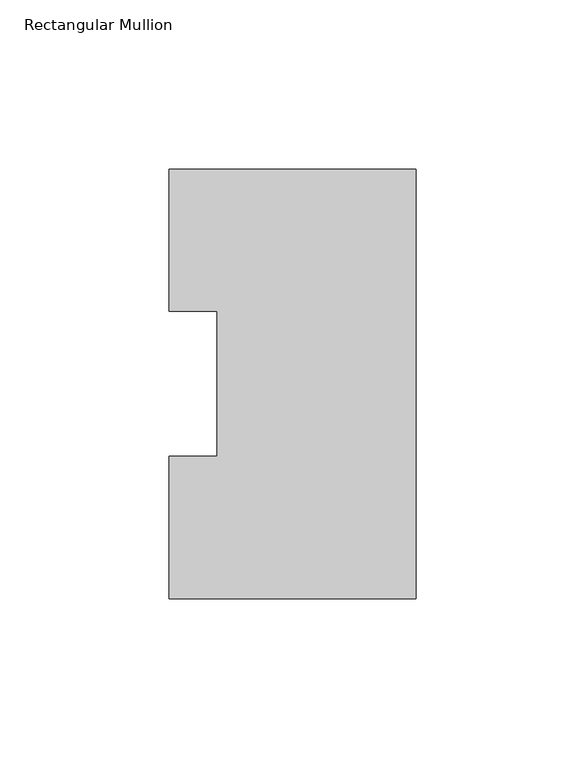
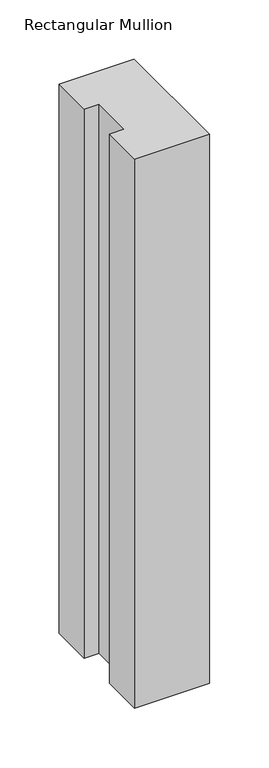
"""IFC4 building model written with IfcOpenShell, lengths in millimetres: member geometry, Rectangular Mullion."""

from ifc_helpers import new_model, si_unit, frame, origin, place, context, project, spatial, polyline, outline, extrude, source, transform, mapped, element, save


def rectangular_mullion_606a9db9(model_context):
    return source(origin(), model_context, "Body", "SweptSolid", [
        extrude(outline(polyline([(0.0, 126.7086937), (0.0, -0.2913063), (-73.025, -0.2913063), (-73.025, 41.7837937), (-58.7375, 41.7837937), (-58.7375, 84.6335938), (-73.025, 84.6335938), (-73.025, 126.7086937), (0.0, 126.7086937)])), frame((0.0, 0.0, -565.1563826), z_axis=(0.0, 0.0, 1.0), x_axis=(1.0, 0.0, 0.0)), (0.0, 0.0, 1.0), 565.1563826),
    ])


if __name__ == "__main__":
    model = new_model("IFC4")
    model_context = context("Model", 3, world=origin())
    ifc_project = project(units=[si_unit("LENGTHUNIT", "METRE", prefix="MILLI")], contexts=[model_context])
    site = spatial("IfcSite", under=ifc_project)
    building = spatial("IfcBuilding", under=site)
    placement = place(None, origin())
    rectangular_mullion_shape = rectangular_mullion_606a9db9(model_context)
    element("IfcMember", 1, ObjectType="Rectangular Mullion", at=placement, inside=building, context=model_context, shape_type="MappedRepresentation", body=[
        mapped(rectangular_mullion_shape, transform((0.0, 0.0, 0.0), x_axis=(1.0, 0.0, 0.0), y_axis=(0.0, 1.0, 0.0), z_axis=(0.0, 0.0, 1.0))),
    ])
    save(model, "model.ifc")
